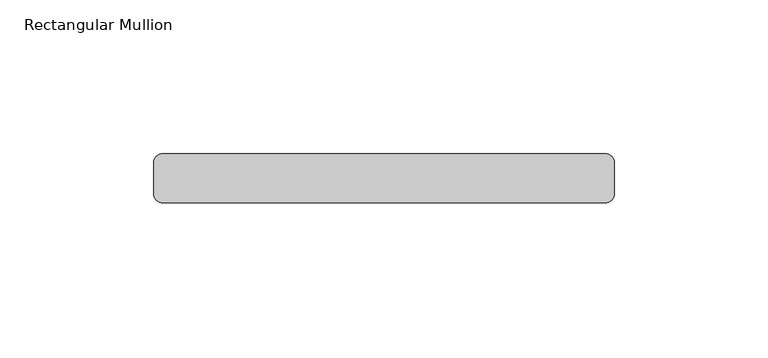
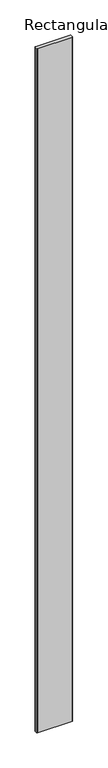
"""IFC4 building model written with IfcOpenShell, lengths in millimetres: member geometry, Rectangular Mullion."""

from ifc_helpers import new_model, si_unit, point, frame, frame_2d, origin, place, context, project, spatial, polyline, circle_curve, trimmed, segment, composite_curve, outline, extrude, source, transform, mapped, element, save


def rectangular_mullion_bcd84ca9(model_context):
    return source(origin(), model_context, "Body", "SweptSolid", [
        extrude(outline(composite_curve([segment(trimmed(circle_curve(frame_2d((72.0, 13.0)), 3.0), [point((72.0, 16.0))], [point((75.0, 13.0))], False, "CARTESIAN"), True, "CONTINUOUS"), segment(polyline([(75.0, 13.0), (75.0, 3.0)]), True, "CONTINUOUS"), segment(trimmed(circle_curve(frame_2d((72.0, 3.0)), 3.0), [point((75.0, 3.0))], [point((72.0, 0.0))], False, "CARTESIAN"), True, "CONTINUOUS"), segment(polyline([(72.0, 0.0), (-72.0, 0.0)]), True, "CONTINUOUS"), segment(trimmed(circle_curve(frame_2d((-72.0, 3.0)), 3.0), [point((-72.0, 0.0))], [point((-75.0, 3.0))], False, "CARTESIAN"), True, "CONTINUOUS"), segment(polyline([(-75.0, 3.0), (-75.0, 13.0)]), True, "CONTINUOUS"), segment(trimmed(circle_curve(frame_2d((-72.0, 13.0)), 3.0), [point((-75.0, 13.0))], [point((-72.0, 16.0))], False, "CARTESIAN"), True, "CONTINUOUS"), segment(polyline([(-72.0, 16.0), (72.0, 16.0)]), True, "CONTINUOUS")], self_intersect=False)), frame((0.0, 0.0, -3000.0), z_axis=(0.0, 0.0, 1.0), x_axis=(1.0, 0.0, 0.0)), (0.0, 0.0, 1.0), 3000.0),
    ])


if __name__ == "__main__":
    model = new_model("IFC4")
    model_context = context("Model", 3, world=origin())
    ifc_project = project(units=[si_unit("LENGTHUNIT", "METRE", prefix="MILLI")], contexts=[model_context])
    site = spatial("IfcSite", under=ifc_project)
    building = spatial("IfcBuilding", under=site)
    placement = place(None, origin())
    rectangular_mullion_shape = rectangular_mullion_bcd84ca9(model_context)
    element("IfcMember", 1, ObjectType="Rectangular Mullion", at=placement, inside=building, context=model_context, shape_type="MappedRepresentation", body=[
        mapped(rectangular_mullion_shape, transform((0.0, 0.0, 0.0), x_axis=(1.0, 0.0, 0.0), y_axis=(0.0, 1.0, 0.0), z_axis=(0.0, 0.0, 1.0))),
    ])
    save(model, "model.ifc")
